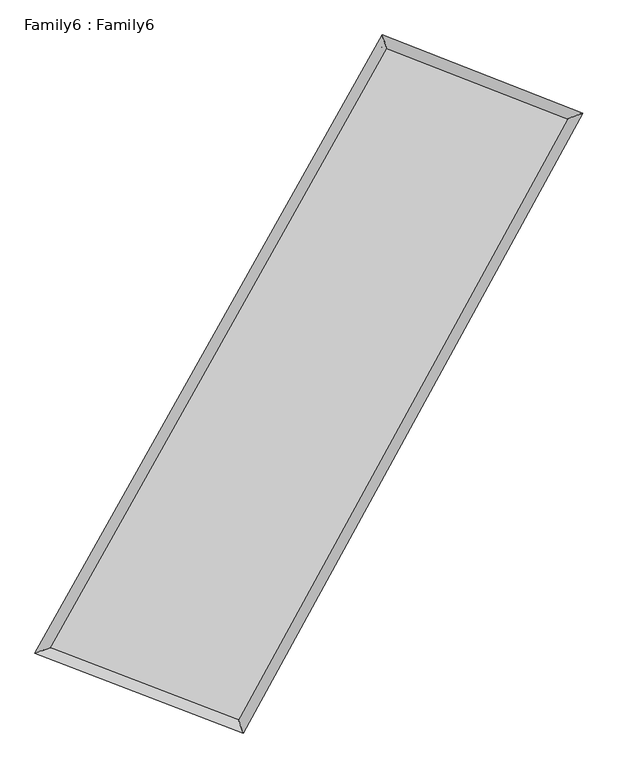
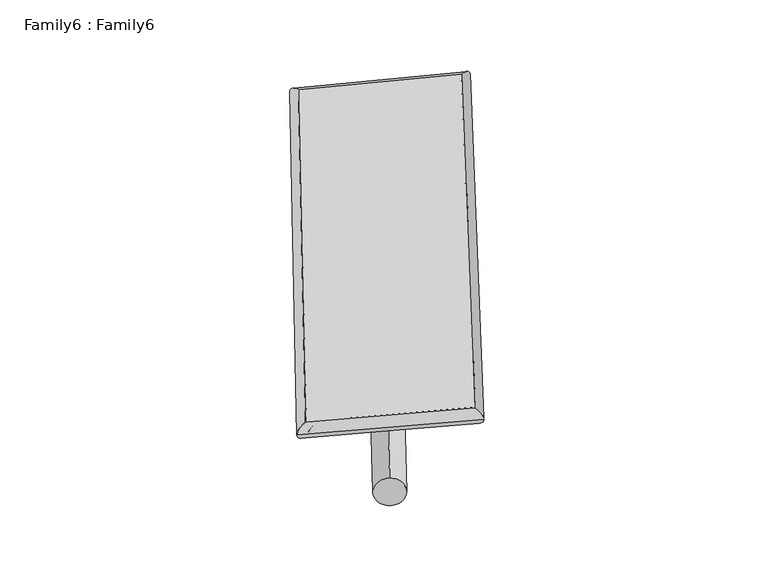
"""IFC4 building model written with IfcOpenShell, lengths in millimetres: plate geometry, Family6 : Family6."""

from ifc_helpers import new_model, si_unit, point, frame, origin, origin_2d, place, context, project, spatial, circle_curve, ellipse_curve, trimmed, segment, composite_curve, outline, extrude, source, transform, mapped, element, save
from ifc_brep_helpers import plane_surface, cylinder_surface, spline_surface, advanced_brep


def family6_family6_1c940f5d(model_context):
    return source(origin(), model_context, "Body", "SolidModel", [
        extrude(outline(composite_curve([segment(trimmed(circle_curve(origin_2d(), 76.2), [point((-75.4341515, -10.7763074))], [point((75.4341515, 10.7763074))], False, "CARTESIAN"), True, "CONTINUOUS"), segment(trimmed(circle_curve(origin_2d(), 76.2), [point((75.4341515, 10.7763074))], [point((-75.4341515, -10.7763074))], False, "CARTESIAN"), True, "CONTINUOUS")], self_intersect=False)), frame((9144.0, 9144.0, 0.0), z_axis=(0.6728054086783528, 0.6920128471939484, 0.26163161386132205), x_axis=(-0.6828006025273154, 0.7169680439515759, -0.14049968377397273)), (0.0, 0.0, 1.0), 5876.5701404),
        extrude(outline(composite_curve([segment(trimmed(circle_curve(origin_2d(), 76.2), [point((-53.8815367, 53.8815368))], [point((53.8815367, -53.8815368))], False, "CARTESIAN"), True, "CONTINUOUS"), segment(trimmed(circle_curve(origin_2d(), 76.2), [point((53.8815367, -53.8815368))], [point((-53.8815367, 53.8815368))], False, "CARTESIAN"), True, "CONTINUOUS")], self_intersect=False)), frame((9144.0, 9144.0, 0.0), z_axis=(-0.6790391398521064, -0.6864167491780638, 0.26026504374719767), x_axis=(0.6327203375089114, -0.3674657676214692, 0.6816405828066383)), (0.0, 0.0, 1.0), 5906.4802529),
        extrude(outline(composite_curve([segment(trimmed(circle_curve(origin_2d(), 76.2), [point((-53.8815367, -53.8815367))], [point((53.8815367, 53.8815367))], False, "CARTESIAN"), True, "CONTINUOUS"), segment(trimmed(circle_curve(origin_2d(), 76.2), [point((53.8815367, 53.8815367))], [point((-53.8815367, -53.8815367))], False, "CARTESIAN"), True, "CONTINUOUS")], self_intersect=False)), frame((9144.0, 9144.0, 0.0), z_axis=(0.21106797095710245, 0.9380919693836443, 0.27465208649119677), x_axis=(-0.8506454159381509, 0.314696368075997, -0.42115148374805345)), (0.0, 0.0, 1.0), 5495.5794496),
        extrude(outline(composite_curve([segment(trimmed(circle_curve(origin_2d(), 76.2), [point((-75.4341514, 10.7763073))], [point((75.4341514, -10.7763073))], False, "CARTESIAN"), True, "CONTINUOUS"), segment(trimmed(circle_curve(origin_2d(), 76.2), [point((75.4341514, -10.7763073))], [point((-75.4341514, 10.7763073))], False, "CARTESIAN"), True, "CONTINUOUS")], self_intersect=False)), frame((9144.0, 9144.0, 0.0), z_axis=(-0.20110427497408725, -0.940272463956995, 0.27467210289978117), x_axis=(0.8979232428315562, -0.06487384165428363, 0.4353449605219718)), (0.0, 0.0, 1.0), 5496.9946133),
        advanced_brep(
        [(4914.0893067, 5010.5741022, 1535.5483652), (4914.0685184, 5010.5467036, 1539.521457), (5352.4481523, 5168.8119492, 1538.9523176), (10371.9858268, 14109.2870766, 1511.8891884), (10235.8957805, 14489.430821, 1506.8555362), (5352.4689406, 5168.8393478, 1534.9792259), (12880.751115, 13131.6799761, 1537.143587), (13314.8252348, 13289.644093, 1537.8494726), (7968.8251574, 4165.2887354, 1510.3226121), (8108.2366101, 3785.3659258, 1509.419528)],
        [
            (0, 1, ellipse_curve(frame((5133.2687295, 5089.6930257, 1537.2503414), z_axis=(-0.33956219090718986, 0.9405718147567106, 0.004709542608076715), x_axis=(-0.9405432839687071, -0.3395897398810646, 0.007559070635391242)), 233.0630348, 152.4)),
            (1, 2, ellipse_curve(frame((5133.2687295, 5089.6930257, 1537.2503414), z_axis=(-0.33956219090718986, 0.9405718147567106, 0.004709542608076715), x_axis=(-0.9405432839687071, -0.3395897398810646, 0.007559070635391242)), 233.0630348, 152.4)),
            (2, 3),
            (3, 4, ellipse_curve(frame((10303.9408037, 14299.3589488, 1509.3723623), z_axis=(-0.941459001695277, -0.3370979348393467, -0.004464353702389642), x_axis=(0.3370486399306123, -0.941442659485556, 0.009161507609976518)), 201.9012439, 152.4)),
            (4, 0),
            (2, 5, ellipse_curve(frame((5133.2687295, 5089.6930257, 1537.2503414), z_axis=(-0.33956219090718986, 0.9405718147567106, 0.004709542608076715), x_axis=(-0.9405432839687071, -0.3395897398810646, 0.007559070635391242)), 233.0630348, 152.4)),
            (5, 0, ellipse_curve(frame((5133.2687295, 5089.6930257, 1537.2503414), z_axis=(-0.33956219090718986, 0.9405718147567106, 0.004709542608076715), x_axis=(-0.9405432839687071, -0.3395897398810646, 0.007559070635391242)), 233.0630348, 152.4)),
            (4, 3, ellipse_curve(frame((10303.9408037, 14299.3589488, 1509.3723623), z_axis=(-0.941459001695277, -0.3370979348393467, -0.004464353702389642), x_axis=(0.3370486399306123, -0.941442659485556, 0.009161507609976518)), 201.9012439, 152.4)),
            (3, 6),
            (6, 7, ellipse_curve(frame((13097.7881749, 13210.6620346, 1537.4965298), z_axis=(-0.3419587189565335, 0.9397010311399865, -0.0051192386203956055), x_axis=(-0.9396693915870327, -0.3419907141744906, -0.007986609598423108)), 230.9680956, 152.4)),
            (7, 4),
            (7, 6, ellipse_curve(frame((13097.7881749, 13210.6620346, 1537.4965298), z_axis=(-0.3419587189565335, 0.9397010311399865, -0.0051192386203956055), x_axis=(-0.9396693915870327, -0.3419907141744906, -0.007986609598423108)), 230.9680956, 152.4)),
            (6, 8),
            (8, 9, ellipse_curve(frame((8038.5308838, 3975.3273306, 1509.8710701), z_axis=(0.9387802512963805, 0.34449213795953654, -0.004099592659294454), x_axis=(-0.34444863923088126, 0.9387650235606242, 0.008681328885308563)), 202.3505054, 152.4)),
            (9, 7),
            (9, 8, ellipse_curve(frame((8038.5308838, 3975.3273306, 1509.8710701), z_axis=(0.9387802512963805, 0.34449213795953654, -0.004099592659294454), x_axis=(-0.34444863923088126, 0.9387650235606242, 0.008681328885308563)), 202.3505054, 152.4)),
            (8, 5),
            (1, 9),
        ],
        [
            cylinder_surface(frame((5133.2687295, 5089.6930257, 1537.2503414), z_axis=(-0.48955704632982916, -0.8719672766561092, 0.002639475277811992), x_axis=(-0.8719005131217168, 0.48947651523183383, -0.01422097938215445)), 152.4),
            cylinder_surface(frame((10303.9408037, 14299.3589488, 1509.3723623), z_axis=(-0.9317155428440757, 0.363067734783793, -0.009379082137120718), x_axis=(0.36314410247959444, 0.9316954420294672, -0.00836445669518914)), 152.4),
            cylinder_surface(frame((13097.7881749, 13210.6620346, 1537.4965298), z_axis=(0.4804453477917397, 0.87702074404609, 0.0026234134476523212), x_axis=(0.8770244106534725, -0.48044534779173964, -0.0006714932641297965)), 152.4),
            cylinder_surface(frame((8038.5308838, 3975.3273306, 1509.8710701), z_axis=(0.9336367172006541, -0.35811320083055637, -0.008798618396070598), x_axis=(-0.35808427613281296, -0.9336773278380198, 0.004722146513430142)), 152.4),
        ],
        [
            (0, [[1, 2, 3, 4, 5]]),
            (0, [[6, 7, -5, 8, -3]]),
            (1, [[-4, 9, 10, 11]]),
            (1, [[-8, -11, 12, -9]]),
            (2, [[-10, 13, 14, 15]]),
            (2, [[-12, -15, 16, -13]]),
            (3, [[-14, 17, -6, -2, 18]]),
            (3, [[-16, -18, -1, -7, -17]]),
        ],
    ),
        extrude(outline(composite_curve([segment(trimmed(circle_curve(origin_2d(), 304.8), [point((0.0, -304.8))], [point((0.0, 304.8))], False, "CARTESIAN"), True, "CONTINUOUS"), segment(trimmed(circle_curve(origin_2d(), 304.8), [point((0.0, 304.8))], [point((0.0, -304.8))], False, "CARTESIAN"), True, "CONTINUOUS")], self_intersect=False)), frame((6566.9157136, 4520.4540147, -0.011312), z_axis=(0.4868619848846262, 0.8734789108327888, 2.137064787133926e-06), x_axis=(-0.8734789108352266, 0.4868619848846262, 5.553601901120769e-07)), (0.0, 0.0, 1.0), 10586.5085647),
        advanced_brep(
        [(5133.2687295, 5089.6930257, 1537.2503414), (8038.5308838, 3975.3273306, 1509.8710701), (8038.5374461, 3975.3261337, 1662.2710699), (5133.2752919, 5089.6918287, 1689.6503413), (13097.7881749, 13210.6620346, 1537.4965298), (13097.7947373, 13210.6608376, 1689.8965296), (10303.9408037, 14299.3589488, 1509.3723623), (10303.947366, 14299.3577518, 1661.7723622)],
        [
            (0, 1),
            (1, 2),
            (2, 3),
            (3, 0),
            (1, 4),
            (4, 5),
            (5, 2),
            (4, 6),
            (6, 7),
            (7, 5),
            (6, 0),
            (3, 7),
        ],
        [
            plane_surface(frame((6585.8998066, 4532.5101782, 1523.5607057), z_axis=(-0.35812699696926226, -0.9336728838176496, 8.087783875204268e-06), x_axis=(0.9336367172006541, -0.35811320083055626, -0.008798618396070601))),
            plane_surface(frame((10568.1595293, 8592.9946826, 1523.6837999), z_axis=(0.8770238136195104, -0.4804469050986493, -4.153817418257443e-05), x_axis=(0.4804453477917394, 0.8770207440460901, 0.0026234134476523212))),
            plane_surface(frame((11700.8644893, 13755.0104917, 1523.434446), z_axis=(0.3630837775268747, 0.9317564973895566, -8.316274596421088e-06), x_axis=(-0.9317155428440758, 0.36306773478379273, -0.009379082137120718))),
            plane_surface(frame((7718.6047666, 9694.5259872, 1523.3113519), z_axis=(-0.8719702598625756, 0.48955884651580306, 4.139213423784774e-05), x_axis=(-0.48955704632982894, -0.8719672766561091, 0.0026394752778119927))),
            spline_surface(1, 1, [[(8038.5374461, 3975.3261337, 1662.2710699), (5133.2752919, 5089.6918287, 1689.6503413)], [(13097.7947373, 13210.6608376, 1689.8965296), (10303.947366, 14299.3577518, 1661.7723622)]], [2, 2], [2, 2], [0.0, 1.0], [0.0, 1.0]),
            spline_surface(1, 1, [[(10303.9408037, 14299.3589488, 1509.3723623), (5133.2687295, 5089.6930257, 1537.2503414)], [(13097.7881749, 13210.6620346, 1537.4965298), (8038.5308838, 3975.3273306, 1509.8710701)]], [2, 2], [2, 2], [0.0, 1.0], [0.0, 1.0]),
        ],
        [
            (0, [[1, 2, 3, 4]]),
            (1, [[5, 6, 7, -2]]),
            (2, [[8, 9, 10, -6]]),
            (3, [[11, -4, 12, -9]]),
            (4, [[-3, -7, -10, -12]]),
            (5, [[-11, -8, -5, -1]]),
        ],
    ),
    ])


if __name__ == "__main__":
    model = new_model("IFC4")
    model_context = context("Model", 3, world=origin())
    ifc_project = project(units=[si_unit("LENGTHUNIT", "METRE", prefix="MILLI")], contexts=[model_context])
    site = spatial("IfcSite", under=ifc_project)
    building = spatial("IfcBuilding", under=site)
    placement = place(None, origin())
    family6_family6_shape = family6_family6_1c940f5d(model_context)
    element("IfcPlate", 1, ObjectType="Family6 : Family6", at=placement, inside=building, context=model_context, shape_type="MappedRepresentation", body=[
        mapped(family6_family6_shape, transform((0.0, 0.0, 0.0), x_axis=(1.0, 0.0, 0.0), y_axis=(0.0, 1.0, 0.0), z_axis=(0.0, 0.0, 1.0))),
    ])
    save(model, "model.ifc")
